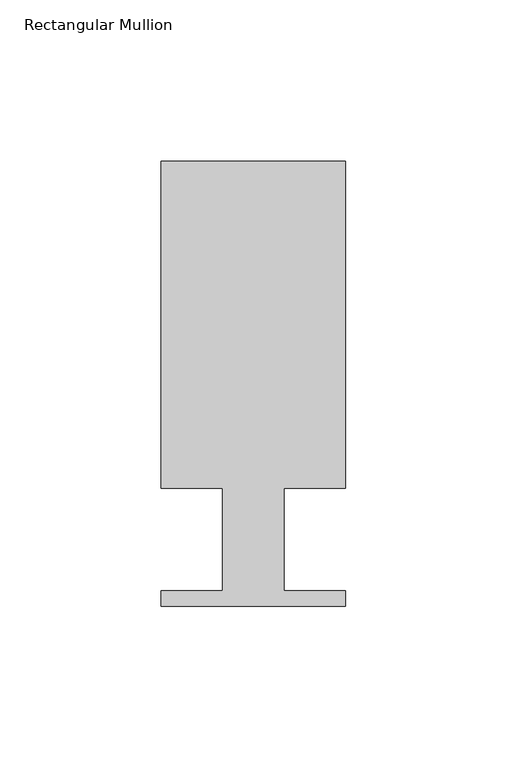
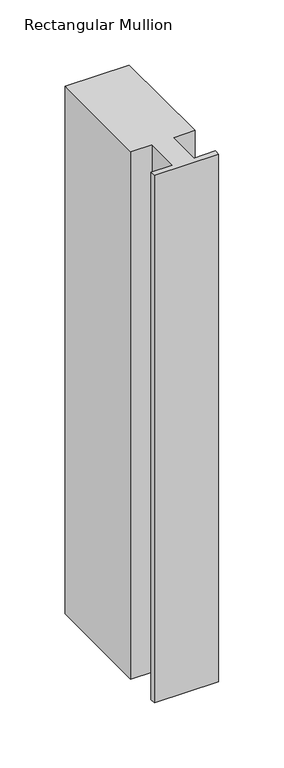
"""IFC4 building model written with IfcOpenShell, lengths in millimetres: member geometry, Rectangular Mullion."""

from ifc_helpers import new_model, si_unit, frame, origin, place, context, project, spatial, polyline, outline, extrude, source, transform, mapped, element, save


def rectangular_mullion_dc1c07e9(model_context):
    return source(origin(), model_context, "Body", "SweptSolid", [
        extrude(outline(polyline([(0.0, 138.3268125), (0.0, 37.1078125), (-19.05, 37.1078125), (-19.05, 5.3578125), (0.0, 5.3578125), (0.0, 0.5318125), (-57.15, 0.5318125), (-57.15, 5.3578125), (-38.1, 5.3578125), (-38.1, 37.1078125), (-57.15, 37.1078125), (-57.15, 138.3268125), (0.0, 138.3268125)])), frame((0.0, 0.0, -495.3), z_axis=(0.0, 0.0, 1.0), x_axis=(1.0, 0.0, 0.0)), (0.0, 0.0, 1.0), 495.3),
    ])


if __name__ == "__main__":
    model = new_model("IFC4")
    model_context = context("Model", 3, world=origin())
    ifc_project = project(units=[si_unit("LENGTHUNIT", "METRE", prefix="MILLI")], contexts=[model_context])
    site = spatial("IfcSite", under=ifc_project)
    building = spatial("IfcBuilding", under=site)
    placement = place(None, origin())
    rectangular_mullion_shape = rectangular_mullion_dc1c07e9(model_context)
    element("IfcMember", 1, ObjectType="Rectangular Mullion", at=placement, inside=building, context=model_context, shape_type="MappedRepresentation", body=[
        mapped(rectangular_mullion_shape, transform((0.0, 0.0, 0.0), x_axis=(1.0, 0.0, 0.0), y_axis=(0.0, 1.0, 0.0), z_axis=(0.0, 0.0, 1.0))),
    ])
    save(model, "model.ifc")
